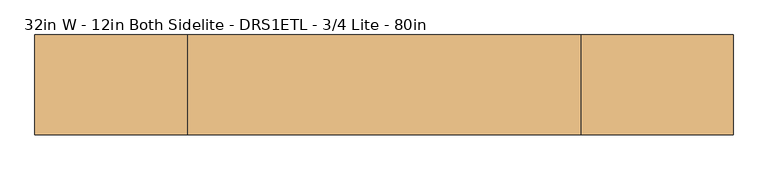
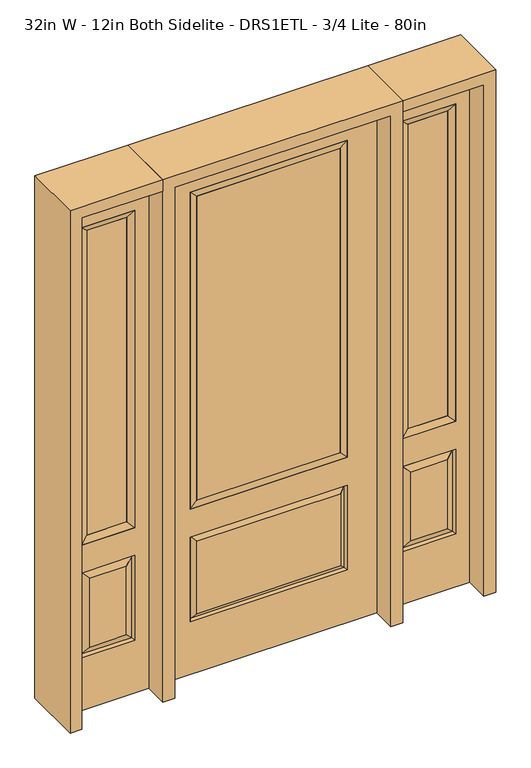
"""IFC4 building model written with IfcOpenShell, lengths in millimetres: door geometry, 32in W - 12in Both Sidelite - DRS1ETL - 3/4 Lite - 80in."""

import ifcopenshell
import ifcopenshell.guid

model = None  # the IFC model being written
_history = None  # IfcOwnerHistory: only IFC2X3 demands one
_inside = {}  # id of a spatial element -> (the spatial element, [elements in it])
_under = {}  # id of a project, library or spatial element -> (it, [spatial elements below it])
_declared = {}  # id of a project -> (the project, [libraries it declares])
_typed = {}  # id of a type object -> (the type object, [elements of that type])
_made_of = {}  # id of a material, layer set ... -> (it, [elements and type objects made of it])


def new_model(schema):
    """Start an empty IFC model of exactly this schema.

    Asked for "IFC4X3", IfcOpenShell would pick the latest addendum, in which some entities
    have other attributes; the version numbers below select the first issue.
    IFC2X3 requires an IfcOwnerHistory on every rooted entity: one is made here for all.
    """
    global model, _history
    if schema == "IFC4X3":
        model = ifcopenshell.file(schema_version=(4, 3, 0, 0))
    else:
        model = ifcopenshell.file(schema=schema)
    _inside.clear()
    _under.clear()
    _declared.clear()
    _typed.clear()
    _made_of.clear()
    _history = None
    if model.schema == "IFC2X3":
        org = make("IfcOrganization", Name="unknown")
        user = make(
            "IfcPersonAndOrganization",
            ThePerson=make("IfcPerson", FamilyName="unknown"),
            TheOrganization=org,
        )
        app = make(
            "IfcApplication",
            ApplicationDeveloper=org,
            Version="unknown",
            ApplicationFullName="unknown",
            ApplicationIdentifier="unknown",
        )
        _history = make(
            "IfcOwnerHistory",
            OwningUser=user,
            OwningApplication=app,
            ChangeAction="ADDED",
            CreationDate=0,
        )
    return model


def make(cls, **values):
    """One entity of the class cls with the attributes given. An attribute that is None is left unset."""
    return model.create_entity(
        cls, **{name: value for name, value in values.items() if value is not None}
    )


def rooted(cls, **values):
    """An entity with a GlobalId (a new one), such as an element, a storey or a relation."""
    return make(cls, GlobalId=ifcopenshell.guid.new(), OwnerHistory=_history, **values)


def si_unit(unit_type, name, prefix=None):
    """IfcSIUnit, for example si_unit("LENGTHUNIT", "METRE", prefix="MILLI")."""
    return make("IfcSIUnit", UnitType=unit_type, Prefix=prefix, Name=name)


def assignment(units):
    """IfcUnitAssignment: the units of a project."""
    return None if units is None else make("IfcUnitAssignment", Units=units)


def point(xyz):
    """IfcCartesianPoint."""
    return None if xyz is None else make("IfcCartesianPoint", Coordinates=xyz)


def direction(xyz):
    """IfcDirection."""
    return None if xyz is None else make("IfcDirection", DirectionRatios=xyz)


def frame(location, z_axis=None, x_axis=None):
    """IfcAxis2Placement3D, a coordinate frame: its origin and axes. An axis left out is left unset."""
    return make(
        "IfcAxis2Placement3D",
        Location=point(location),
        Axis=direction(z_axis),
        RefDirection=direction(x_axis),
    )


def origin():
    """The frame at (0, 0, 0) with its axes left unset."""
    return frame((0.0, 0.0, 0.0))


def place(relative_to, where):
    """IfcLocalPlacement: puts the frame where relative to a parent placement (None: the world)."""
    return make(
        "IfcLocalPlacement", PlacementRelTo=relative_to, RelativePlacement=where
    )


def context(
    kind, dimensions, precision=None, world=None, true_north=None, identifier=None
):
    """IfcGeometricRepresentationContext, for example the 3D "Model" context."""
    return make(
        "IfcGeometricRepresentationContext",
        ContextIdentifier=identifier,
        ContextType=kind,
        CoordinateSpaceDimension=dimensions,
        Precision=precision,
        WorldCoordinateSystem=world,
        TrueNorth=true_north,
    )


def project(units=None, contexts=None):
    """IfcProject with its units and contexts."""
    return rooted(
        "IfcProject",
        Name="project",
        RepresentationContexts=contexts,
        UnitsInContext=assignment(units),
    )


def spatial(cls, under=None, at=None, **own):
    """A site, building, storey or space (cls), placed at a placement, below another one or the project."""
    s = rooted(cls, ObjectPlacement=at, **own)
    if under is not None:
        _under.setdefault(under.id(), (under, []))[1].append(s)
    return s


def polyline(points):
    """IfcPolyline through the points."""
    return make("IfcPolyline", Points=[point(p) for p in points])


def outline(outer, holes=None, kind="AREA"):
    """IfcArbitraryClosedProfileDef: a profile drawn as a closed curve; with holes, ...WithVoids."""
    if holes is None:
        return make("IfcArbitraryClosedProfileDef", ProfileType=kind, OuterCurve=outer)
    return make(
        "IfcArbitraryProfileDefWithVoids",
        ProfileType=kind,
        OuterCurve=outer,
        InnerCurves=holes,
    )


def extrude(swept, where, along, depth):
    """IfcExtrudedAreaSolid: the profile swept, set in the frame where, extruded along a direction by depth."""
    return make(
        "IfcExtrudedAreaSolid",
        SweptArea=swept,
        Position=where,
        ExtrudedDirection=direction(along),
        Depth=depth,
    )


def faces_of(points, faces, orient=None, outer=None):
    """IfcFace entities. A face is a list of loops; a loop is a list of indices into points, from 0.

    orient and outer hold one flag for each loop. By default every Orientation is true, the
    first loop of a face is its IfcFaceOuterBound and the others are IfcFaceBound.
    """
    made = []
    for i, loops in enumerate(faces):
        bounds = []
        for j, loop in enumerate(loops):
            is_outer = j == 0 if outer is None else outer[i][j]
            bounds.append(
                make(
                    "IfcFaceOuterBound" if is_outer else "IfcFaceBound",
                    Bound=make("IfcPolyLoop", Polygon=[points[k] for k in loop]),
                    Orientation=True if orient is None else orient[i][j],
                )
            )
        made.append(make("IfcFace", Bounds=bounds))
    return made


def faceted_brep(points, faces, orient=None, outer=None, voids=None):
    """IfcFacetedBrep: a solid bounded by flat faces; with voids (closed shells), ...WithVoids."""
    shared = [point(p) for p in points]
    hull = make("IfcClosedShell", CfsFaces=faces_of(shared, faces, orient, outer))
    if voids is None:
        return make("IfcFacetedBrep", Outer=hull)
    return make(
        "IfcFacetedBrepWithVoids",
        Outer=hull,
        Voids=[
            make(cls, CfsFaces=faces_of(shared, fs, o, b)) for cls, fs, o, b in voids
        ],
    )


def shape(context_of_items, identifier, shape_type, items):
    """IfcShapeRepresentation: the items that make up one representation, for example the "Body"."""
    return make(
        "IfcShapeRepresentation",
        ContextOfItems=context_of_items,
        RepresentationIdentifier=identifier,
        RepresentationType=shape_type,
        Items=items,
    )


def source(mapping_origin, context_of_items, identifier, shape_type, items):
    """IfcRepresentationMap: a shape defined once, which mapped items show again and again."""
    return make(
        "IfcRepresentationMap",
        MappingOrigin=mapping_origin,
        MappedRepresentation=shape(context_of_items, identifier, shape_type, items),
    )


def transform(
    local_origin,
    x_axis=None,
    y_axis=None,
    z_axis=None,
    scale=None,
    scale2=None,
    scale3=None,
    uniform=True,
):
    """IfcCartesianTransformationOperator3D, or its non-uniform kind. x_axis, y_axis, z_axis: its Axis1, 2, 3."""
    if uniform:
        return make(
            "IfcCartesianTransformationOperator3D",
            Axis1=direction(x_axis),
            Axis2=direction(y_axis),
            LocalOrigin=point(local_origin),
            Scale=scale,
            Axis3=direction(z_axis),
        )
    return make(
        "IfcCartesianTransformationOperator3DnonUniform",
        Axis1=direction(x_axis),
        Axis2=direction(y_axis),
        LocalOrigin=point(local_origin),
        Scale=scale,
        Axis3=direction(z_axis),
        Scale2=scale2,
        Scale3=scale3,
    )


def mapped(mapping_source, mapping_target):
    """IfcMappedItem: shows the shape of a source again, moved by a transform."""
    return make(
        "IfcMappedItem", MappingSource=mapping_source, MappingTarget=mapping_target
    )


def made_of(thing, what):
    """Note that an element or type object is made of a material, layer set ...; save() writes the relation."""
    if what is not None:
        _made_of.setdefault(what.id(), (what, []))[1].append(thing)
    return thing


def element(
    cls,
    number,
    at=None,
    inside=None,
    cuts=None,
    type_object=None,
    material=None,
    context=None,
    identifier="Body",
    shape_type=None,
    held_by="IfcProductDefinitionShape",
    body=None,
    shapes=None,
    **own,
):
    """One element of the class cls, such as IfcWall. Its Tag is "e" and its number.

    at: its placement. inside: the storey or other place that contains it. cuts: it is an
    opening in that element (IfcRelVoidsElement). A single representation is given by context,
    identifier, shape_type and body (its items); several are given by shapes. held_by: the class
    of the entity that holds the representations. save() writes the other relations.
    """
    e = rooted(cls, Tag="e%d" % number, ObjectPlacement=at, **own)
    if body is not None:
        shapes = [shape(context, identifier, shape_type, body)]
    if shapes is not None:
        e.Representation = make(held_by, Representations=shapes)
    if inside is not None:
        _inside.setdefault(inside.id(), (inside, []))[1].append(e)
    if cuts is not None:
        rooted(
            "IfcRelVoidsElement", RelatingBuildingElement=cuts, RelatedOpeningElement=e
        )
    if type_object is not None:
        _typed.setdefault(type_object.id(), (type_object, []))[1].append(e)
    return made_of(e, material)


def aggregate(whole, parts):
    """IfcRelAggregates: a whole, such as a stair, and the parts it consists of."""
    return rooted("IfcRelAggregates", RelatingObject=whole, RelatedObjects=parts)


def save(model, path):
    """Write the relations noted so far, then the file.

    IfcRelAggregates (storeys below a building ...), IfcRelContainedInSpatialStructure (elements
    in a storey), IfcRelDefinesByType, IfcRelAssociatesMaterial and IfcRelDeclares: one each for
    every whole, place, type object, material and project.
    """
    for whole, parts in _under.values():
        aggregate(whole, parts)
    for where, things in _inside.values():
        rooted(
            "IfcRelContainedInSpatialStructure",
            RelatedElements=things,
            RelatingStructure=where,
        )
    for kind, things in _typed.values():
        rooted("IfcRelDefinesByType", RelatedObjects=things, RelatingType=kind)
    for what, things in _made_of.values():
        rooted("IfcRelAssociatesMaterial", RelatedObjects=things, RelatingMaterial=what)
    for by, libraries in _declared.values():
        rooted("IfcRelDeclares", RelatingContext=by, RelatedDefinitions=libraries)
    model.write(path)


def door_32in_w_12in_both_sidelite_drs1etl_3_4_lite_80in_2be512b7(model_context):
    return source(origin(), model_context, "Body", "SolidModel", [
        faceted_brep([(450.85, -22.225, 0.0), (755.65, -22.225, 0.0), (755.65, -22.225, 2032.0), (450.85, -22.225, 2032.0), (703.58, -22.225, 1919.224), (703.58, -22.225, 657.098), (502.92, -22.225, 657.098), (502.92, -22.225, 1919.224), (703.58, -22.225, 209.55), (502.92, -22.225, 209.55), (502.92, -22.225, 546.1), (703.58, -22.225, 546.1), (534.6351001, -22.225, 241.2651001), (671.8648999, -22.225, 241.2651001), (671.8648999, -22.225, 514.3848999), (534.6351001, -22.225, 514.3848999), (450.85, 22.225, 0.0), (450.85, 22.225, 2032.0), (755.65, 22.225, 2032.0), (755.65, 22.225, 0.0), (703.58, 22.225, 1919.224), (502.92, 22.225, 1919.224), (502.92, 22.225, 657.098), (703.58, 22.225, 657.098), (502.92, 22.225, 209.55), (703.58, 22.225, 209.55), (703.58, 22.225, 546.1), (502.92, 22.225, 546.1), (671.8648999, 22.225, 241.2651001), (534.6351001, 22.225, 241.2651001), (534.6351001, 22.225, 514.3848999), (671.8648999, 22.225, 514.3848999), (696.4711499, 12.7912373, 216.6588501), (510.0288501, 12.7912373, 216.6588501), (510.0288501, 12.7912373, 538.9911499), (696.4711499, 12.7912373, 538.9911499), (510.0288501, -12.7912373, 216.6588501), (696.4711499, -12.7912373, 216.6588501), (510.0288501, -12.7912373, 538.9911499), (696.4711499, -12.7912373, 538.9911499)], [[[0, 1, 2, 3], [4, 5, 6, 7], [8, 9, 10, 11]], [[12, 13, 14, 15]], [[16, 17, 18, 19], [20, 21, 22, 23], [24, 25, 26, 27]], [[28, 29, 30, 31]], [[1, 0, 16, 19]], [[2, 1, 19, 18]], [[3, 2, 18, 17]], [[0, 3, 17, 16]], [[5, 4, 20, 23]], [[6, 5, 23, 22]], [[7, 6, 22, 21]], [[4, 7, 21, 20]], [[32, 33, 29, 28]], [[33, 32, 25, 24]], [[29, 33, 34, 30]], [[33, 24, 27, 34]], [[30, 34, 35, 31]], [[34, 27, 26, 35]], [[32, 28, 31, 35]], [[25, 32, 35, 26]], [[12, 36, 37, 13]], [[37, 36, 9, 8]], [[36, 12, 15, 38]], [[9, 36, 38, 10]], [[38, 15, 14, 39]], [[10, 38, 39, 11]], [[13, 37, 39, 14]], [[37, 8, 11, 39]]]),
        faceted_brep([(502.92, 22.225, 1919.224), (502.92, -22.225, 1919.224), (703.58, -22.225, 1919.224), (703.58, 22.225, 1919.224), (528.32, 12.7, 1893.824), (678.18, 12.7, 1893.824), (528.32, -12.7, 1893.824), (678.18, -12.7, 1893.824), (703.58, -22.225, 657.098), (703.58, 22.225, 657.098), (678.18, 12.7, 682.498), (678.18, -12.7, 682.498), (502.92, -22.225, 657.098), (502.92, 22.225, 657.098), (528.32, 12.7, 682.498), (528.32, -12.7, 682.498)], [[[0, 1, 2, 3]], [[4, 0, 3, 5]], [[6, 4, 5, 7]], [[1, 6, 7, 2]], [[3, 2, 8, 9]], [[5, 3, 9, 10]], [[7, 5, 10, 11]], [[2, 7, 11, 8]], [[9, 8, 12, 13]], [[10, 9, 13, 14]], [[11, 10, 14, 15]], [[8, 11, 15, 12]], [[13, 12, 1, 0]], [[14, 13, 0, 4]], [[15, 14, 4, 6]], [[12, 15, 6, 1]]]),
        extrude(outline(polyline([(678.18, -12.7), (528.32, -12.7), (528.32, 12.7), (678.18, 12.7), (678.18, -12.7)])), frame((0.0, 0.0, 682.498), z_axis=(0.0, 0.0, 1.0), x_axis=(1.0, 0.0, 0.0)), (0.0, 0.0, 1.0), 1211.326),
        faceted_brep([(-755.65, -22.225, 0.0), (-450.85, -22.225, 0.0), (-450.85, -22.225, 2032.0), (-755.65, -22.225, 2032.0), (-502.92, -22.225, 1919.224), (-502.92, -22.225, 657.098), (-703.58, -22.225, 657.098), (-703.58, -22.225, 1919.224), (-502.92, -22.225, 209.55), (-703.58, -22.225, 209.55), (-703.58, -22.225, 546.1), (-502.92, -22.225, 546.1), (-671.8648999, -22.225, 241.2651001), (-534.6351001, -22.225, 241.2651001), (-534.6351001, -22.225, 514.3848999), (-671.8648999, -22.225, 514.3848999), (-755.65, 22.225, 0.0), (-755.65, 22.225, 2032.0), (-450.85, 22.225, 2032.0), (-450.85, 22.225, 0.0), (-502.92, 22.225, 1919.224), (-703.58, 22.225, 1919.224), (-703.58, 22.225, 657.098), (-502.92, 22.225, 657.098), (-703.58, 22.225, 209.55), (-502.92, 22.225, 209.55), (-502.92, 22.225, 546.1), (-703.58, 22.225, 546.1), (-534.6351001, 22.225, 241.2651001), (-671.8648999, 22.225, 241.2651001), (-671.8648999, 22.225, 514.3848999), (-534.6351001, 22.225, 514.3848999), (-510.0288501, 12.7912373, 216.6588501), (-696.4711499, 12.7912373, 216.6588501), (-696.4711499, 12.7912373, 538.9911499), (-510.0288501, 12.7912373, 538.9911499), (-696.4711499, -12.7912373, 216.6588501), (-510.0288501, -12.7912373, 216.6588501), (-696.4711499, -12.7912373, 538.9911499), (-510.0288501, -12.7912373, 538.9911499)], [[[0, 1, 2, 3], [4, 5, 6, 7], [8, 9, 10, 11]], [[12, 13, 14, 15]], [[16, 17, 18, 19], [20, 21, 22, 23], [24, 25, 26, 27]], [[28, 29, 30, 31]], [[1, 0, 16, 19]], [[2, 1, 19, 18]], [[3, 2, 18, 17]], [[0, 3, 17, 16]], [[5, 4, 20, 23]], [[6, 5, 23, 22]], [[7, 6, 22, 21]], [[4, 7, 21, 20]], [[32, 33, 29, 28]], [[33, 32, 25, 24]], [[29, 33, 34, 30]], [[33, 24, 27, 34]], [[30, 34, 35, 31]], [[34, 27, 26, 35]], [[32, 28, 31, 35]], [[25, 32, 35, 26]], [[12, 36, 37, 13]], [[37, 36, 9, 8]], [[36, 12, 15, 38]], [[9, 36, 38, 10]], [[38, 15, 14, 39]], [[10, 38, 39, 11]], [[13, 37, 39, 14]], [[37, 8, 11, 39]]]),
        faceted_brep([(-703.58, 22.225, 1919.224), (-703.58, -22.225, 1919.224), (-502.92, -22.225, 1919.224), (-502.92, 22.225, 1919.224), (-678.18, 12.7, 1893.824), (-528.32, 12.7, 1893.824), (-678.18, -12.7, 1893.824), (-528.32, -12.7, 1893.824), (-502.92, -22.225, 657.098), (-502.92, 22.225, 657.098), (-528.32, 12.7, 682.498), (-528.32, -12.7, 682.498), (-703.58, -22.225, 657.098), (-703.58, 22.225, 657.098), (-678.18, 12.7, 682.498), (-678.18, -12.7, 682.498)], [[[0, 1, 2, 3]], [[4, 0, 3, 5]], [[6, 4, 5, 7]], [[1, 6, 7, 2]], [[3, 2, 8, 9]], [[5, 3, 9, 10]], [[7, 5, 10, 11]], [[2, 7, 11, 8]], [[9, 8, 12, 13]], [[10, 9, 13, 14]], [[11, 10, 14, 15]], [[8, 11, 15, 12]], [[13, 12, 1, 0]], [[14, 13, 0, 4]], [[15, 14, 4, 6]], [[12, 15, 6, 1]]]),
        extrude(outline(polyline([(-528.32, -12.7), (-678.18, -12.7), (-678.18, 12.7), (-528.32, 12.7), (-528.32, -12.7)])), frame((0.0, 0.0, 682.498), z_axis=(0.0, 0.0, 1.0), x_axis=(1.0, 0.0, 0.0)), (0.0, 0.0, 1.0), 1211.326),
        faceted_brep([(-288.1661499, -12.7912373, 216.6588501), (288.1661499, -12.7912373, 216.6588501), (270.66875, -22.225, 234.15625), (-270.66875, -22.225, 234.15625), (-295.275, -22.225, 209.55), (295.275, -22.225, 209.55), (-288.1661499, -12.7912373, 538.9911499), (-295.275, -22.225, 546.1), (270.66875, -22.225, 521.49375), (-270.66875, -22.225, 521.49375), (406.4, -22.225, 2032.0), (-406.4, -22.225, 2032.0), (-406.4, -22.225, 0.0), (406.4, -22.225, 0.0), (295.275, -22.225, 546.1), (295.275, -22.225, 1917.7), (295.275, -22.225, 657.098), (-295.275, -22.225, 657.098), (-295.275, -22.225, 1917.7), (288.1661499, -12.7912373, 538.9911499), (-406.4, 22.225, 2032.0), (-406.4, 22.225, 0.0), (406.4, 22.225, 0.0), (406.4, 22.225, 2032.0), (295.275, 22.225, 1917.7), (295.275, 22.225, 657.098), (-295.275, 22.225, 657.098), (-295.275, 22.225, 1917.7), (-295.275, 22.225, 209.55), (295.275, 22.225, 209.55), (295.275, 22.225, 546.1), (-295.275, 22.225, 546.1), (270.66875, 22.225, 234.15625), (-270.66875, 22.225, 234.15625), (-270.66875, 22.225, 521.49375), (270.66875, 22.225, 521.49375), (-288.1661499, 12.7912373, 216.6588501), (288.1661499, 12.7912373, 216.6588501), (288.1661499, 12.7912373, 538.9911499), (-288.1661499, 12.7912373, 538.9911499)], [[[0, 1, 2, 3]], [[1, 0, 4, 5]], [[4, 0, 6, 7]], [[3, 2, 8, 9]], [[10, 11, 12, 13], [5, 4, 7, 14], [15, 16, 17, 18]], [[1, 5, 14, 19]], [[2, 1, 19, 8]], [[0, 3, 9, 6]], [[7, 6, 19, 14]], [[6, 9, 8, 19]], [[12, 11, 20, 21]], [[13, 12, 21, 22]], [[10, 13, 22, 23]], [[16, 15, 24, 25]], [[17, 16, 25, 26]], [[18, 17, 26, 27]], [[23, 22, 21, 20], [28, 29, 30, 31], [24, 27, 26, 25]], [[32, 33, 34, 35]], [[28, 36, 37, 29]], [[29, 37, 38, 30]], [[39, 31, 30, 38]], [[36, 28, 31, 39]], [[37, 36, 33, 32]], [[33, 36, 39, 34]], [[34, 39, 38, 35]], [[37, 32, 35, 38]], [[11, 10, 23, 20]], [[15, 18, 27, 24]]]),
        faceted_brep([(-295.275, -22.225, 1917.7), (-295.275, 22.225, 1917.7), (-295.275, 22.225, 657.098), (-295.275, -22.225, 657.098), (295.275, 22.225, 657.098), (295.275, -22.225, 657.098), (-269.875, 5.08, 682.498), (269.875, 5.08, 682.498), (295.275, 22.225, 1917.7), (295.275, -22.225, 1917.7), (-269.875, -20.32, 682.498), (269.875, -20.32, 682.498), (-269.875, -20.32, 1892.3), (269.875, -20.32, 1892.3), (-269.875, 5.08, 1892.3), (269.875, 5.08, 1892.3)], [[[0, 1, 2, 3]], [[3, 2, 4, 5]], [[2, 6, 7, 4]], [[5, 4, 8, 9]], [[10, 3, 5, 11]], [[12, 0, 3, 10]], [[11, 5, 9, 13]], [[6, 10, 11, 7]], [[14, 12, 10, 6]], [[7, 11, 13, 15]], [[1, 14, 6, 2]], [[4, 7, 15, 8]], [[9, 8, 1, 0]], [[13, 9, 0, 12]], [[15, 13, 12, 14]], [[8, 15, 14, 1]]]),
        extrude(outline(polyline([(269.875, -20.32), (-269.875, -20.32), (-269.875, 5.08), (269.875, 5.08), (269.875, -20.32)])), frame((0.0, 0.0, 682.498), z_axis=(0.0, 0.0, 1.0), x_axis=(1.0, 0.0, 0.0)), (0.0, 0.0, 1.0), 1209.802),
        extrude(outline(polyline([(2032.0, -450.85), (2076.45, -450.85), (2076.45, -800.1), (0.0, -800.1), (0.0, -755.65), (2032.0, -755.65), (2032.0, -450.85)])), frame((0.0, -114.3, 0.0), z_axis=(0.0, 1.0, 0.0), x_axis=(0.0, 0.0, 1.0)), (0.0, 0.0, 1.0), 228.6),
        extrude(outline(polyline([(2076.45, -450.85), (0.0, -450.85), (0.0, -406.4), (2032.0, -406.4), (2032.0, 406.4), (0.0, 406.4), (0.0, 450.85), (2076.45, 450.85), (2076.45, -450.85)])), frame((0.0, -114.3, 0.0), z_axis=(0.0, 1.0, 0.0), x_axis=(0.0, 0.0, 1.0)), (0.0, 0.0, 1.0), 228.6),
        extrude(outline(polyline([(0.0, 755.65), (0.0, 800.1), (2076.45, 800.1), (2076.45, 450.85), (2032.0, 450.85), (2032.0, 755.65), (0.0, 755.65)])), frame((0.0, -114.3, 0.0), z_axis=(0.0, 1.0, 0.0), x_axis=(0.0, 0.0, 1.0)), (0.0, 0.0, 1.0), 228.6),
    ])


if __name__ == "__main__":
    model = new_model("IFC4")
    model_context = context("Model", 3, world=origin())
    ifc_project = project(units=[si_unit("LENGTHUNIT", "METRE", prefix="MILLI")], contexts=[model_context])
    site = spatial("IfcSite", under=ifc_project)
    building = spatial("IfcBuilding", under=site)
    placement = place(None, origin())
    door_32in_w_12in_both_sidelite_drs1etl_3_4_lite_80in_shape = door_32in_w_12in_both_sidelite_drs1etl_3_4_lite_80in_2be512b7(model_context)
    element("IfcDoor", 1, ObjectType="32in W - 12in Both Sidelite - DRS1ETL - 3/4 Lite - 80in", at=placement, inside=building, context=model_context, shape_type="MappedRepresentation", body=[
        mapped(door_32in_w_12in_both_sidelite_drs1etl_3_4_lite_80in_shape, transform((0.0, 0.0, 0.0), x_axis=(1.0, 0.0, 0.0), y_axis=(0.0, 1.0, 0.0), z_axis=(0.0, 0.0, 1.0))),
    ])
    save(model, "model.ifc")
